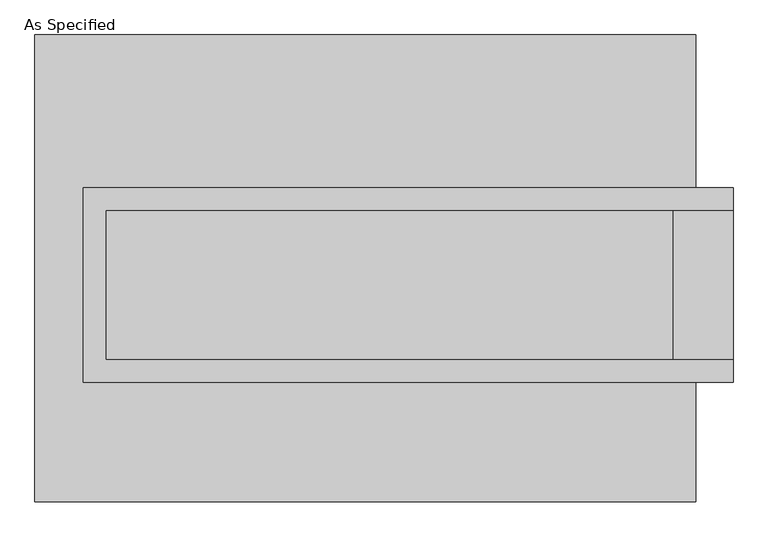
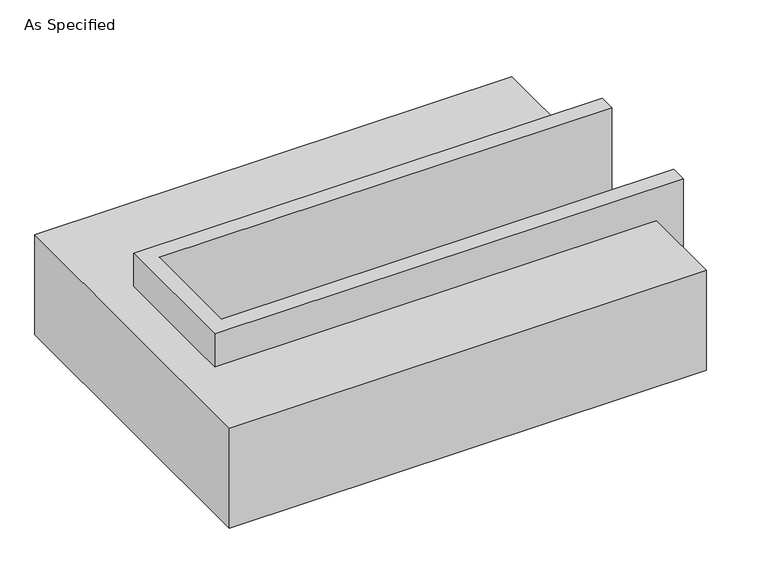
"""IFC4 building model written with IfcOpenShell, lengths in millimetres: proxy geometry, As Specified."""

from ifc_helpers import new_model, si_unit, origin, place, context, project, spatial, faceted_brep, source, transform, mapped, element, save


def as_specified_a57e76c8(model_context):
    return source(origin(), model_context, "Body", "Brep", [
        faceted_brep([(-958.85, 273.05, 139.7), (-958.85, 273.05, -393.7), (-958.85, 196.85, -393.7), (-958.85, 196.85, -25.4), (-958.85, -311.15, -25.4), (-958.85, -311.15, -393.7), (-958.85, -387.35, -393.7), (-958.85, -387.35, 139.7), (1250.95, 196.85, 139.7), (1250.95, 196.85, -317.5), (1250.95, -311.15, -317.5), (1250.95, -311.15, 139.7), (1250.95, -387.35, 139.7), (1250.95, -387.35, -393.7), (1250.95, 273.05, -393.7), (1250.95, 273.05, 139.7), (-882.65, -311.15, 139.7), (-882.65, 196.85, 139.7), (1047.75, -311.15, -393.7), (1047.75, 196.85, -393.7), (1047.75, -311.15, -317.5), (-882.65, -311.15, -25.4), (1047.75, 196.85, -317.5), (-882.65, 196.85, -25.4)], [[[0, 1, 2, 3, 4, 5, 6, 7]], [[8, 9, 10, 11, 12, 13, 14, 15]], [[0, 7, 12, 11, 16, 17, 8, 15]], [[1, 0, 15, 14]], [[14, 13, 6, 5, 18, 19, 2, 1]], [[7, 6, 13, 12]], [[11, 10, 20, 18, 5, 4, 21, 16]], [[10, 9, 22, 20]], [[9, 8, 17, 23, 3, 2, 19, 22]], [[18, 20, 22, 19]], [[23, 21, 4, 3]], [[17, 16, 21, 23]]]),
        faceted_brep([(-1123.95, 793.75, -523.9742188), (1123.95, 793.75, -523.9742188), (1123.95, -793.75, -523.9742188), (-1123.95, -793.75, -523.9742188), (1123.95, 793.75, -25.4), (-1123.95, 793.75, -25.4), (-1123.95, -793.75, -25.4), (1123.95, -793.75, -25.4), (1123.95, -387.35, -25.4), (-958.85, -387.35, -25.4), (-958.85, 273.05, -25.4), (1123.95, 273.05, -25.4), (1123.95, 273.05, -393.7), (1123.95, -387.35, -393.7), (-958.85, -387.35, -393.7), (-958.85, 273.05, -393.7)], [[[0, 1, 2, 3]], [[4, 5, 6, 7, 8, 9, 10, 11]], [[1, 0, 5, 4]], [[5, 0, 3, 6]], [[1, 4, 11, 12, 13, 8, 7, 2]], [[3, 2, 7, 6]], [[14, 15, 10, 9]], [[10, 15, 12, 11]], [[15, 14, 13, 12]], [[14, 9, 8, 13]]]),
    ])


if __name__ == "__main__":
    model = new_model("IFC4")
    model_context = context("Model", 3, world=origin())
    ifc_project = project(units=[si_unit("LENGTHUNIT", "METRE", prefix="MILLI")], contexts=[model_context])
    site = spatial("IfcSite", under=ifc_project)
    building = spatial("IfcBuilding", under=site)
    placement = place(None, origin())
    as_specified_shape = as_specified_a57e76c8(model_context)
    element("IfcBuildingElementProxy", 1, Name="As Specified", ObjectType="As Specified", at=placement, inside=building, context=model_context, shape_type="MappedRepresentation", body=[
        mapped(as_specified_shape, transform((0.0, 0.0, 0.0), x_axis=(1.0, 0.0, 0.0), y_axis=(0.0, 1.0, 0.0), z_axis=(0.0, 0.0, 1.0))),
    ])
    save(model, "model.ifc")
